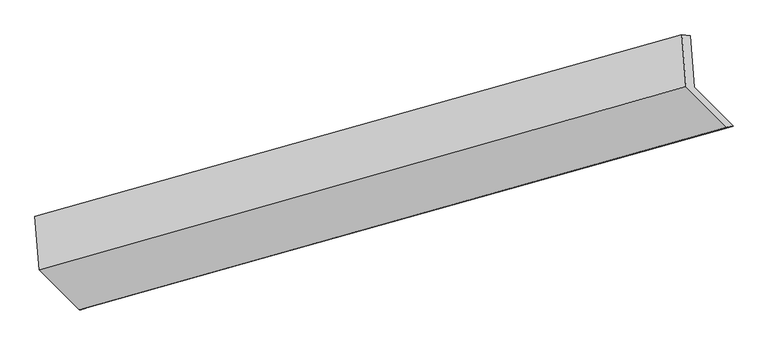
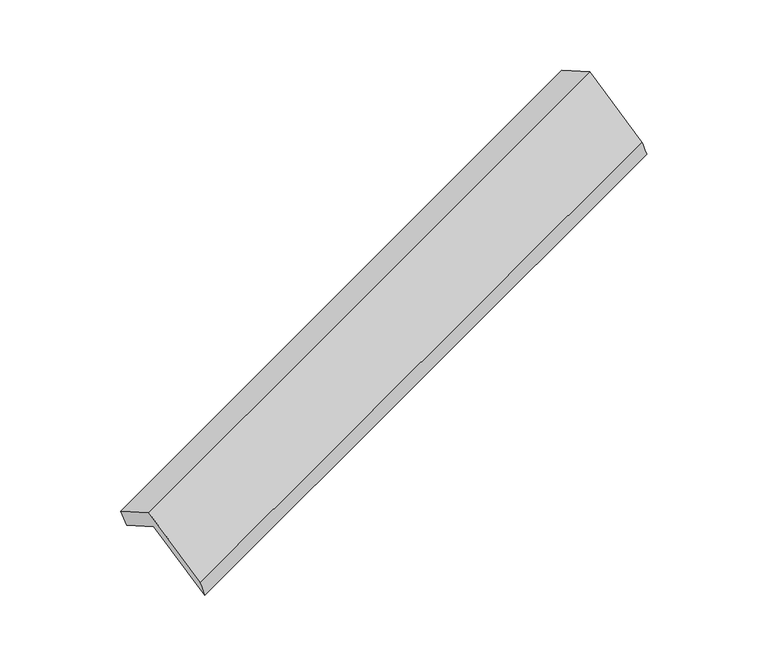
"""IFC4 building model written with IfcOpenShell, lengths in millimetres: proxy geometry."""

import ifcopenshell
import ifcopenshell.guid

model = None  # the IFC model being written
_history = None  # IfcOwnerHistory: only IFC2X3 demands one
_inside = {}  # id of a spatial element -> (the spatial element, [elements in it])
_under = {}  # id of a project, library or spatial element -> (it, [spatial elements below it])
_declared = {}  # id of a project -> (the project, [libraries it declares])
_typed = {}  # id of a type object -> (the type object, [elements of that type])
_made_of = {}  # id of a material, layer set ... -> (it, [elements and type objects made of it])


def new_model(schema):
    """Start an empty IFC model of exactly this schema.

    Asked for "IFC4X3", IfcOpenShell would pick the latest addendum, in which some entities
    have other attributes; the version numbers below select the first issue.
    IFC2X3 requires an IfcOwnerHistory on every rooted entity: one is made here for all.
    """
    global model, _history
    if schema == "IFC4X3":
        model = ifcopenshell.file(schema_version=(4, 3, 0, 0))
    else:
        model = ifcopenshell.file(schema=schema)
    _inside.clear()
    _under.clear()
    _declared.clear()
    _typed.clear()
    _made_of.clear()
    _history = None
    if model.schema == "IFC2X3":
        org = make("IfcOrganization", Name="unknown")
        user = make(
            "IfcPersonAndOrganization",
            ThePerson=make("IfcPerson", FamilyName="unknown"),
            TheOrganization=org,
        )
        app = make(
            "IfcApplication",
            ApplicationDeveloper=org,
            Version="unknown",
            ApplicationFullName="unknown",
            ApplicationIdentifier="unknown",
        )
        _history = make(
            "IfcOwnerHistory",
            OwningUser=user,
            OwningApplication=app,
            ChangeAction="ADDED",
            CreationDate=0,
        )
    return model


def make(cls, **values):
    """One entity of the class cls with the attributes given. An attribute that is None is left unset."""
    return model.create_entity(
        cls, **{name: value for name, value in values.items() if value is not None}
    )


def rooted(cls, **values):
    """An entity with a GlobalId (a new one), such as an element, a storey or a relation."""
    return make(cls, GlobalId=ifcopenshell.guid.new(), OwnerHistory=_history, **values)


def si_unit(unit_type, name, prefix=None):
    """IfcSIUnit, for example si_unit("LENGTHUNIT", "METRE", prefix="MILLI")."""
    return make("IfcSIUnit", UnitType=unit_type, Prefix=prefix, Name=name)


def assignment(units):
    """IfcUnitAssignment: the units of a project."""
    return None if units is None else make("IfcUnitAssignment", Units=units)


def point(xyz):
    """IfcCartesianPoint."""
    return None if xyz is None else make("IfcCartesianPoint", Coordinates=xyz)


def direction(xyz):
    """IfcDirection."""
    return None if xyz is None else make("IfcDirection", DirectionRatios=xyz)


def frame(location, z_axis=None, x_axis=None):
    """IfcAxis2Placement3D, a coordinate frame: its origin and axes. An axis left out is left unset."""
    return make(
        "IfcAxis2Placement3D",
        Location=point(location),
        Axis=direction(z_axis),
        RefDirection=direction(x_axis),
    )


def origin():
    """The frame at (0, 0, 0) with its axes left unset."""
    return frame((0.0, 0.0, 0.0))


def place(relative_to, where):
    """IfcLocalPlacement: puts the frame where relative to a parent placement (None: the world)."""
    return make(
        "IfcLocalPlacement", PlacementRelTo=relative_to, RelativePlacement=where
    )


def context(
    kind, dimensions, precision=None, world=None, true_north=None, identifier=None
):
    """IfcGeometricRepresentationContext, for example the 3D "Model" context."""
    return make(
        "IfcGeometricRepresentationContext",
        ContextIdentifier=identifier,
        ContextType=kind,
        CoordinateSpaceDimension=dimensions,
        Precision=precision,
        WorldCoordinateSystem=world,
        TrueNorth=true_north,
    )


def project(units=None, contexts=None):
    """IfcProject with its units and contexts."""
    return rooted(
        "IfcProject",
        Name="project",
        RepresentationContexts=contexts,
        UnitsInContext=assignment(units),
    )


def spatial(cls, under=None, at=None, **own):
    """A site, building, storey or space (cls), placed at a placement, below another one or the project."""
    s = rooted(cls, ObjectPlacement=at, **own)
    if under is not None:
        _under.setdefault(under.id(), (under, []))[1].append(s)
    return s


def shape(context_of_items, identifier, shape_type, items):
    """IfcShapeRepresentation: the items that make up one representation, for example the "Body"."""
    return make(
        "IfcShapeRepresentation",
        ContextOfItems=context_of_items,
        RepresentationIdentifier=identifier,
        RepresentationType=shape_type,
        Items=items,
    )


def source(mapping_origin, context_of_items, identifier, shape_type, items):
    """IfcRepresentationMap: a shape defined once, which mapped items show again and again."""
    return make(
        "IfcRepresentationMap",
        MappingOrigin=mapping_origin,
        MappedRepresentation=shape(context_of_items, identifier, shape_type, items),
    )


def transform(
    local_origin,
    x_axis=None,
    y_axis=None,
    z_axis=None,
    scale=None,
    scale2=None,
    scale3=None,
    uniform=True,
):
    """IfcCartesianTransformationOperator3D, or its non-uniform kind. x_axis, y_axis, z_axis: its Axis1, 2, 3."""
    if uniform:
        return make(
            "IfcCartesianTransformationOperator3D",
            Axis1=direction(x_axis),
            Axis2=direction(y_axis),
            LocalOrigin=point(local_origin),
            Scale=scale,
            Axis3=direction(z_axis),
        )
    return make(
        "IfcCartesianTransformationOperator3DnonUniform",
        Axis1=direction(x_axis),
        Axis2=direction(y_axis),
        LocalOrigin=point(local_origin),
        Scale=scale,
        Axis3=direction(z_axis),
        Scale2=scale2,
        Scale3=scale3,
    )


def mapped(mapping_source, mapping_target):
    """IfcMappedItem: shows the shape of a source again, moved by a transform."""
    return make(
        "IfcMappedItem", MappingSource=mapping_source, MappingTarget=mapping_target
    )


def made_of(thing, what):
    """Note that an element or type object is made of a material, layer set ...; save() writes the relation."""
    if what is not None:
        _made_of.setdefault(what.id(), (what, []))[1].append(thing)
    return thing


def element(
    cls,
    number,
    at=None,
    inside=None,
    cuts=None,
    type_object=None,
    material=None,
    context=None,
    identifier="Body",
    shape_type=None,
    held_by="IfcProductDefinitionShape",
    body=None,
    shapes=None,
    **own,
):
    """One element of the class cls, such as IfcWall. Its Tag is "e" and its number.

    at: its placement. inside: the storey or other place that contains it. cuts: it is an
    opening in that element (IfcRelVoidsElement). A single representation is given by context,
    identifier, shape_type and body (its items); several are given by shapes. held_by: the class
    of the entity that holds the representations. save() writes the other relations.
    """
    e = rooted(cls, Tag="e%d" % number, ObjectPlacement=at, **own)
    if body is not None:
        shapes = [shape(context, identifier, shape_type, body)]
    if shapes is not None:
        e.Representation = make(held_by, Representations=shapes)
    if inside is not None:
        _inside.setdefault(inside.id(), (inside, []))[1].append(e)
    if cuts is not None:
        rooted(
            "IfcRelVoidsElement", RelatingBuildingElement=cuts, RelatedOpeningElement=e
        )
    if type_object is not None:
        _typed.setdefault(type_object.id(), (type_object, []))[1].append(e)
    return made_of(e, material)


def aggregate(whole, parts):
    """IfcRelAggregates: a whole, such as a stair, and the parts it consists of."""
    return rooted("IfcRelAggregates", RelatingObject=whole, RelatedObjects=parts)


def save(model, path):
    """Write the relations noted so far, then the file.

    IfcRelAggregates (storeys below a building ...), IfcRelContainedInSpatialStructure (elements
    in a storey), IfcRelDefinesByType, IfcRelAssociatesMaterial and IfcRelDeclares: one each for
    every whole, place, type object, material and project.
    """
    for whole, parts in _under.values():
        aggregate(whole, parts)
    for where, things in _inside.values():
        rooted(
            "IfcRelContainedInSpatialStructure",
            RelatedElements=things,
            RelatingStructure=where,
        )
    for kind, things in _typed.values():
        rooted("IfcRelDefinesByType", RelatedObjects=things, RelatingType=kind)
    for what, things in _made_of.values():
        rooted("IfcRelAssociatesMaterial", RelatedObjects=things, RelatingMaterial=what)
    for by, libraries in _declared.values():
        rooted("IfcRelDeclares", RelatingContext=by, RelatedDefinitions=libraries)
    model.write(path)


def plane_surface(at):
    """IfcPlane: the flat surface through the origin of the frame at, square to its z axis."""
    return make("IfcPlane", Position=at)


def spline_surface(u_degree, v_degree, points, u_multiplicities, v_multiplicities, u_knots, v_knots, weights=None):
    """IfcBSplineSurfaceWithKnots; with weights, IfcRationalBSplineSurfaceWithKnots. points: one row for each step in u."""
    own = dict(
        UDegree=u_degree,
        VDegree=v_degree,
        ControlPointsList=[[point(p) for p in row] for row in points],
        SurfaceForm="UNSPECIFIED",
        UClosed=False,
        VClosed=False,
        SelfIntersect=False,
        UMultiplicities=u_multiplicities,
        VMultiplicities=v_multiplicities,
        UKnots=u_knots,
        VKnots=v_knots,
        KnotSpec="UNSPECIFIED",
    )
    if weights is None:
        return make("IfcBSplineSurfaceWithKnots", **own)
    return make("IfcRationalBSplineSurfaceWithKnots", WeightsData=weights, **own)


def advanced_brep(points, edges, surfaces, faces):
    """IfcAdvancedBrep: a solid bounded by faces that lie on surfaces and meet in shared edges.

    An edge is (start, end): straight between two places in points (the first is 0);
    or (start, end, curve); or (start, end, curve, False) where it runs against its curve.
    A face is (place in surfaces, loops), or (place, loops, False) where it looks against
    its surface's normal. A loop lists edges by number (the first is 1), with a minus sign
    where the edge is run from its end to its start. The first loop is the outer one.
    """
    corners = [point(p) for p in points]
    vertices = [make("IfcVertexPoint", VertexGeometry=c) for c in corners]
    made = []
    for start, end, *more in edges:
        made.append(
            make(
                "IfcEdgeCurve",
                EdgeStart=vertices[start],
                EdgeEnd=vertices[end],
                EdgeGeometry=more[0] if more else make("IfcPolyline", Points=[corners[start], corners[end]]),
                SameSense=more[1] if len(more) > 1 else True,
            )
        )
    hull = []
    for where, loops, *sense in faces:
        bounds = []
        for j, loop in enumerate(loops):
            ring = [make("IfcOrientedEdge", EdgeElement=made[abs(k) - 1], Orientation=k > 0) for k in loop]
            bounds.append(
                make(
                    "IfcFaceOuterBound" if j == 0 else "IfcFaceBound",
                    Bound=make("IfcEdgeLoop", EdgeList=ring),
                    Orientation=True,
                )
            )
        hull.append(make("IfcAdvancedFace", Bounds=bounds, FaceSurface=surfaces[where], SameSense=sense[0] if sense else True))
    return make("IfcAdvancedBrep", Outer=make("IfcClosedShell", CfsFaces=hull))


def generic_models_1bc0bc07(model_context):
    return source(origin(), model_context, "Body", "AdvancedBrep", [
        advanced_brep(
        [(-5127.1595918, -2147.6548469, 1295.9527373), (-5154.2439979, -1800.1978662, 1106.5902519), (-731.8552028, -561.2864255, 2705.4179478), (-704.429368, -913.1234831, 2897.1675554), (-5206.1136185, -1798.2468841, 1247.7733643), (-787.8212763, -555.2182312, 2854.7415538), (-5177.8559795, -2160.7548855, 1445.338588), (-760.2464948, -908.9660786, 3047.5325332), (-4904.2949064, -2435.7022543, 901.7165418), (-482.5889687, -1188.0306596, 2495.7699934), (-4857.1277641, -2419.0550857, 759.3440266), (-438.4939933, -1180.4065097, 2368.6993383)],
        [
            (0, 1),
            (1, 2),
            (2, 3),
            (3, 0),
            (1, 4),
            (4, 5),
            (5, 2),
            (4, 6),
            (6, 7),
            (7, 5),
            (6, 8),
            (8, 9),
            (9, 7),
            (8, 10),
            (10, 11),
            (11, 9),
            (10, 0),
            (3, 11),
        ],
        [
            plane_surface(frame((-5140.7017949, -1973.9263566, 1201.2714946), z_axis=(0.40964530213301575, -0.4117212171561567, -0.8140493632353037), x_axis=(-0.0682857387485049, 0.8760153928133226, -0.4774244332223594))),
            spline_surface(1, 1, [[(-5154.2439979, -1800.1978662, 1106.5902519), (-731.8552028, -561.2864255, 2705.4179478)], [(-5206.1136185, -1798.2468841, 1247.7733643), (-787.8212763, -555.2182312, 2854.7415538)]], [2, 2], [2, 2], [0.0, 1.0], [0.0, 1.0]),
            plane_surface(frame((-5191.984799, -1979.5008848, 1346.5559761), z_axis=(-0.4115150778707911, 0.41120386559850586, 0.8133675193919678), x_axis=(0.06828573874850496, -0.8760153928133223, 0.47742443322236006))),
            plane_surface(frame((-5041.075443, -2298.2285699, 1173.5275649), z_axis=(0.07389627003241728, -0.8744493067600394, 0.479455682187815), x_axis=(0.40964530213303074, -0.41172121715615745, -0.8140493632352956))),
            spline_surface(1, 1, [[(-4904.2949064, -2435.7022543, 901.7165418), (-482.5889687, -1188.0306596, 2495.7699934)], [(-4857.1277641, -2419.0550857, 759.3440266), (-438.4939933, -1180.4065097, 2368.6993383)]], [2, 2], [2, 2], [0.0, 1.0], [0.0, 1.0]),
            plane_surface(frame((-4992.143678, -2283.3549663, 1027.6483819), z_axis=(-0.07109136926877577, 0.8752365059186846, -0.4784423433630671), x_axis=(-0.40964530213302525, 0.4117212171561641, 0.814049363235295))),
            plane_surface(frame((-650.905884, -884.5052313, 2728.221487), z_axis=(0.9096855414503998, 0.25116263833938324, 0.3307409027902251), x_axis=(0.3273086021060509, 0.05659261250601814, -0.9432212652379751))),
            plane_surface(frame((-5071.132643, -2126.9353038, 1126.1192516), z_axis=(-0.9096855414504031, -0.2511626383393391, -0.3307409027902499), x_axis=(0.40964530213302497, -0.4117212171561533, -0.8140493632353006))),
        ],
        [
            (0, [[1, 2, 3, 4]]),
            (1, [[5, 6, 7, -2]]),
            (2, [[8, 9, 10, -6]]),
            (3, [[11, 12, 13, -9]]),
            (4, [[14, 15, 16, -12]]),
            (5, [[17, -4, 18, -15]]),
            (6, [[-16, -18, -3, -7, -10, -13]]),
            (7, [[-17, -14, -11, -8, -5, -1]]),
        ],
    ),
    ])


if __name__ == "__main__":
    model = new_model("IFC4")
    model_context = context("Model", 3, world=origin())
    ifc_project = project(units=[si_unit("LENGTHUNIT", "METRE", prefix="MILLI")], contexts=[model_context])
    site = spatial("IfcSite", under=ifc_project)
    building = spatial("IfcBuilding", under=site)
    placement = place(None, origin())
    generic_models_shape = generic_models_1bc0bc07(model_context)
    element("IfcBuildingElementProxy", 1, Name="Generic Models", at=placement, inside=building, context=model_context, shape_type="MappedRepresentation", body=[
        mapped(generic_models_shape, transform((0.0, 0.0, 0.0), x_axis=(1.0, 0.0, 0.0), y_axis=(0.0, 1.0, 0.0), z_axis=(0.0, 0.0, 1.0))),
    ])
    save(model, "model.ifc")
